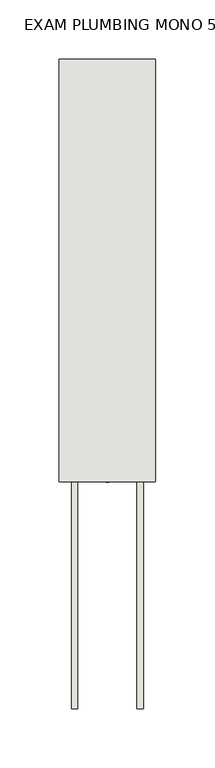
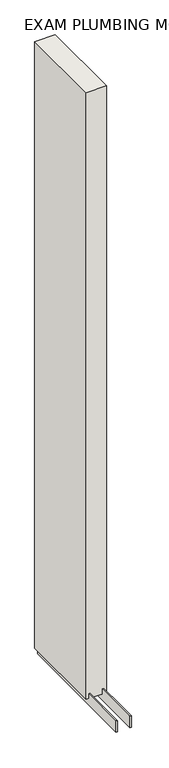
"""IFC4 building model written with IfcOpenShell, lengths in millimetres: wall geometry, EXAM PLUMBING MONO 538280 : EXAM PLUMBING MONO 538280."""

from ifc_helpers import new_model, si_unit, frame, origin, place, context, project, spatial, polyline, outline, extrude, source, transform, mapped, element, save


def exam_plumbing_mono_538280_exam_plumbing_mono_538280_cf8fb254(model_context):
    return source(origin(), model_context, "Body", "SweptSolid", [
        extrude(outline(polyline([(44102.7108038, -49198.9615968), (44102.7108038, -49196.4215968), (44105.2508038, -49196.4215968), (44105.2508038, -49198.9615968), (44102.7108038, -49198.9615968)])), frame((0.0, 0.0, 4419.6), z_axis=(0.0, 0.0, 1.0), x_axis=(1.0, 0.0, 0.0)), (0.0, 0.0, 1.0), 2.54),
        extrude(outline(polyline([(44129.070746, -49389.4628414), (44129.070746, -48843.3628414), (44134.1495014, -48843.3628414), (44134.1495014, -49389.4628414), (44129.070746, -49389.4628414)])), frame((0.0, 0.0, 4418.6602), z_axis=(0.0, 0.0, 1.0), x_axis=(1.0, 0.0, 0.0)), (0.0, 0.0, 1.0), 47.625),
        extrude(outline(polyline([(44129.070746, -49389.4628414), (44129.070746, -48843.3628414), (44134.1495014, -48843.3628414), (44134.1495014, -49389.4628414), (44129.070746, -49389.4628414)])), frame((0.0, 0.0, 4418.6602), z_axis=(0.0, 0.0, 1.0), x_axis=(1.0, 0.0, 0.0)), (0.0, 0.0, 1.0), 47.625),
        extrude(outline(polyline([(44078.906381, -48843.3628414), (44078.906381, -49389.4628414), (44073.8245014, -49389.4628414), (44073.8245014, -48843.3628414), (44078.906381, -48843.3628414)])), frame((0.0, 0.0, 4418.6602), z_axis=(0.0, 0.0, 1.0), x_axis=(1.0, 0.0, 0.0)), (0.0, 0.0, 1.0), 47.625),
        extrude(outline(polyline([(44078.906381, -48843.3628414), (44078.906381, -49389.4628414), (44073.8245014, -49389.4628414), (44073.8245014, -48843.3628414), (44078.906381, -48843.3628414)])), frame((0.0, 0.0, 4418.6602), z_axis=(0.0, 0.0, 1.0), x_axis=(1.0, 0.0, 0.0)), (0.0, 0.0, 1.0), 47.625),
        extrude(outline(polyline([(44144.6170954, -49198.9628414), (44063.3352412, -49198.9628414), (44063.3352412, -48843.3628414), (44144.6170954, -48843.3628414), (44144.6170954, -49198.9628414)])), frame((0.0, 0.0, 4445.0), z_axis=(0.0, 0.0, 1.0), x_axis=(1.0, 0.0, 0.0)), (0.0, 0.0, 1.0), 2562.4536762),
    ])


if __name__ == "__main__":
    model = new_model("IFC4")
    model_context = context("Model", 3, world=origin())
    ifc_project = project(units=[si_unit("LENGTHUNIT", "METRE", prefix="MILLI")], contexts=[model_context])
    site = spatial("IfcSite", under=ifc_project)
    building = spatial("IfcBuilding", under=site)
    placement = place(None, origin())
    exam_plumbing_mono_538280_exam_plumbing_mono_538280_shape = exam_plumbing_mono_538280_exam_plumbing_mono_538280_cf8fb254(model_context)
    element("IfcWall", 1, ObjectType="EXAM PLUMBING MONO 538280 : EXAM PLUMBING MONO 538280", at=placement, inside=building, context=model_context, shape_type="MappedRepresentation", body=[
        mapped(exam_plumbing_mono_538280_exam_plumbing_mono_538280_shape, transform((0.0, 0.0, 0.0), x_axis=(1.0, 0.0, 0.0), y_axis=(0.0, 1.0, 0.0), z_axis=(0.0, 0.0, 1.0))),
    ])
    save(model, "model.ifc")
